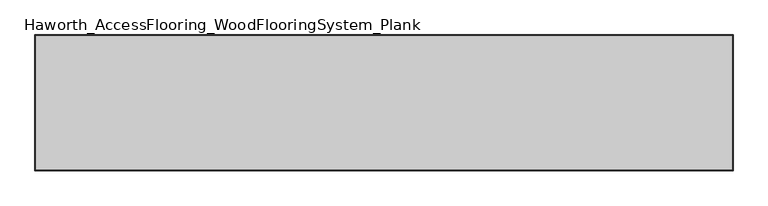
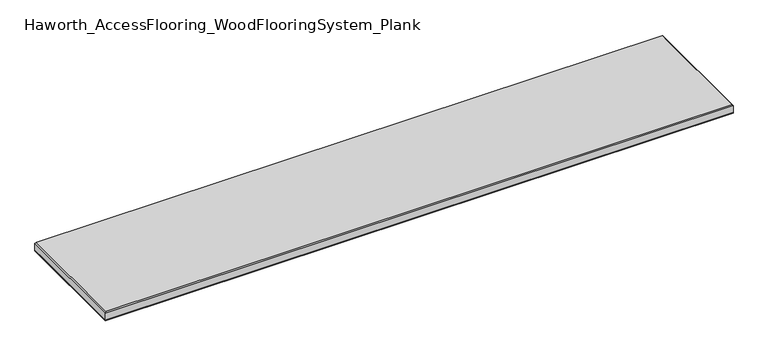
"""IFC4 building model written with IfcOpenShell, lengths in millimetres: proxy geometry, Haworth_AccessFlooring_WoodFlooringSystem_Plank."""

from ifc_helpers import new_model, si_unit, frame, origin, place, context, project, spatial, polyline, outline, extrude, faceted_brep, source, transform, mapped, element, save


def haworth_accessflooring_woodflooringsystem_plank_65360fb1(model_context):
    return source(origin(), model_context, "Body", "SolidModel", [
        extrude(outline(polyline([(565.630074, 109.9839844), (565.630074, -109.9839844), (-565.630074, -109.9839844), (-565.630074, 109.9839844), (565.630074, 109.9839844)])), frame((0.0, 0.0, -15.875), z_axis=(0.0, 0.0, 1.0), x_axis=(1.0, 0.0, 0.0)), (0.0, 0.0, 1.0), 0.9921875),
        faceted_brep([(565.630074, 109.9839844, -14.8828125), (565.630074, -109.9839844, -14.8828125), (-565.630074, -109.9839844, -14.8828125), (-565.630074, 109.9839844, -14.8828125), (-565.630074, 109.9839844, -1.5875), (565.630074, 109.9839844, -1.5875), (-565.630074, -109.9839844, -1.5875), (565.630074, -109.9839844, -1.5875), (564.042574, 108.3964844, 0.0), (-564.042574, 108.3964844, 0.0), (-564.042574, -108.3964844, 0.0), (564.042574, -108.3964844, 0.0)], [[[0, 1, 2, 3]], [[0, 3, 4, 5]], [[3, 2, 6, 4]], [[2, 1, 7, 6]], [[1, 0, 5, 7]], [[8, 9, 10, 11]], [[9, 8, 5, 4]], [[10, 9, 4, 6]], [[11, 10, 6, 7]], [[8, 11, 7, 5]]]),
    ])


if __name__ == "__main__":
    model = new_model("IFC4")
    model_context = context("Model", 3, world=origin())
    ifc_project = project(units=[si_unit("LENGTHUNIT", "METRE", prefix="MILLI")], contexts=[model_context])
    site = spatial("IfcSite", under=ifc_project)
    building = spatial("IfcBuilding", under=site)
    placement = place(None, origin())
    haworth_accessflooring_woodflooringsystem_plank_shape = haworth_accessflooring_woodflooringsystem_plank_65360fb1(model_context)
    element("IfcBuildingElementProxy", 1, Name="Haworth_AccessFlooring_WoodFlooringSystem_Plank", ObjectType="Haworth_AccessFlooring_WoodFlooringSystem_Plank", at=placement, inside=building, context=model_context, shape_type="MappedRepresentation", body=[
        mapped(haworth_accessflooring_woodflooringsystem_plank_shape, transform((0.0, 0.0, 0.0), x_axis=(1.0, 0.0, 0.0), y_axis=(0.0, 1.0, 0.0), z_axis=(0.0, 0.0, 1.0))),
    ])
    save(model, "model.ifc")
